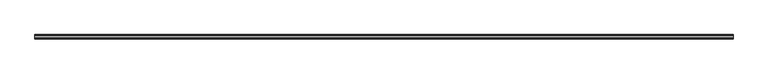
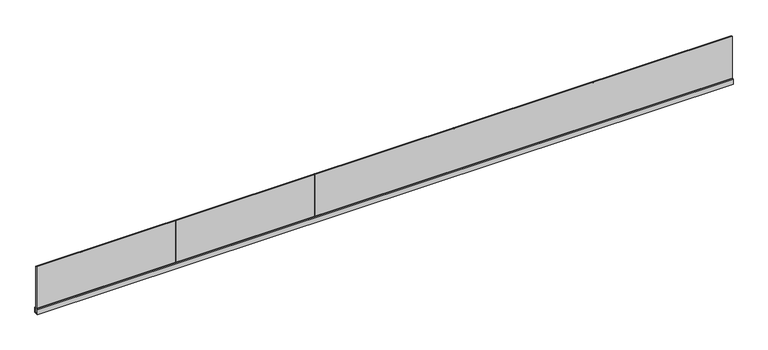
"""IFC4 building model written with IfcOpenShell, lengths in millimetres: railing geometry."""

from ifc_helpers import new_model, si_unit, frame, origin, place, context, project, spatial, polyline, outline, extrude, source, transform, mapped, element, save


def railing_9a6cf623(model_context):
    return source(origin(), model_context, "Body", "SweptSolid", [
        extrude(outline(polyline([(-3061.5739061, 1879.8824508), (-3061.5739061, 1862.3824508), (-13061.5739061, 1862.3824508), (-13061.5739061, 1879.8824508), (-3061.5739061, 1879.8824508)])), frame((0.0, 0.0, 313.0), z_axis=(0.0, 0.0, 1.0), x_axis=(1.0, 0.0, 0.0)), (0.0, 0.0, 1.0), 700.0),
        extrude(outline(polyline([(1881.3824508, 383.0), (1887.6324508, 383.0), (1902.1324508, 378.7), (1902.1324508, 300.0), (1840.1324508, 300.0), (1840.1324508, 378.7), (1854.6324508, 383.0), (1860.8824508, 383.0), (1860.8824508, 312.3), (1881.3824508, 312.3), (1881.3824508, 383.0)])), frame((-13061.5739061, 0.0, 0.0), z_axis=(1.0, 0.0, 0.0), x_axis=(0.0, 1.0, 0.0)), (0.0, 0.0, 1.0), 10000.0),
        extrude(outline(polyline([(-11063.2405711, 1862.3824508), (-11063.2405711, 1879.8824508), (-11059.9072411, 1879.8824508), (-11059.9072411, 1862.3824508), (-11063.2405711, 1862.3824508)])), frame((0.0, 0.0, 307.9), z_axis=(0.0, 0.0, 1.0), x_axis=(1.0, 0.0, 0.0)), (0.0, 0.0, 1.0), 705.0),
        extrude(outline(polyline([(-9063.2405711, 1862.3824508), (-9063.2405711, 1879.8824508), (-9059.9072411, 1879.8824508), (-9059.9072411, 1862.3824508), (-9063.2405711, 1862.3824508)])), frame((0.0, 0.0, 307.9), z_axis=(0.0, 0.0, 1.0), x_axis=(1.0, 0.0, 0.0)), (0.0, 0.0, 1.0), 705.0),
        extrude(outline(polyline([(-7063.2405711, 1862.3824508), (-7063.2405711, 1879.8824508), (-7059.9072411, 1879.8824508), (-7059.9072411, 1862.3824508), (-7063.2405711, 1862.3824508)])), frame((0.0, 0.0, 307.9), z_axis=(0.0, 0.0, 1.0), x_axis=(1.0, 0.0, 0.0)), (0.0, 0.0, 1.0), 705.0),
        extrude(outline(polyline([(-5063.2405711, 1862.3824508), (-5063.2405711, 1879.8824508), (-5059.9072411, 1879.8824508), (-5059.9072411, 1862.3824508), (-5063.2405711, 1862.3824508)])), frame((0.0, 0.0, 307.9), z_axis=(0.0, 0.0, 1.0), x_axis=(1.0, 0.0, 0.0)), (0.0, 0.0, 1.0), 705.0),
    ])


if __name__ == "__main__":
    model = new_model("IFC4")
    model_context = context("Model", 3, world=origin())
    ifc_project = project(units=[si_unit("LENGTHUNIT", "METRE", prefix="MILLI")], contexts=[model_context])
    site = spatial("IfcSite", under=ifc_project)
    building = spatial("IfcBuilding", under=site)
    placement = place(None, origin())
    railing_shape = railing_9a6cf623(model_context)
    element("IfcRailing", 1, at=placement, inside=building, context=model_context, shape_type="MappedRepresentation", body=[
        mapped(railing_shape, transform((0.0, 0.0, 0.0), x_axis=(1.0, 0.0, 0.0), y_axis=(0.0, 1.0, 0.0), z_axis=(0.0, 0.0, 1.0))),
    ])
    save(model, "model.ifc")
